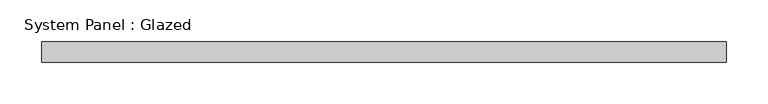
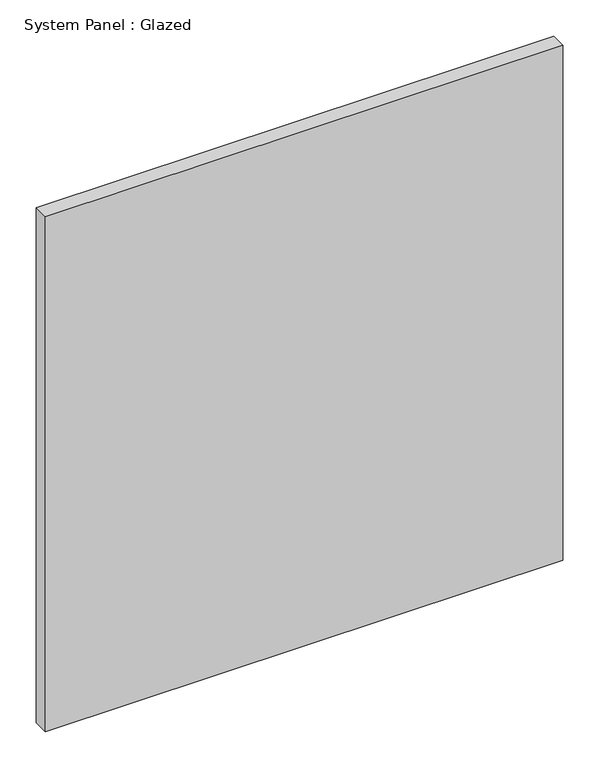
"""IFC4 building model written with IfcOpenShell, lengths in millimetres: plate geometry, System Panel : Glazed."""

from ifc_helpers import new_model, si_unit, origin, origin_with_axes, place, context, project, spatial, polyline, outline, extrude, source, transform, mapped, element, save


def system_panel_glazed_b597f3c5(model_context):
    return source(origin(), model_context, "Body", "SweptSolid", [
        extrude(outline(polyline([(412.5, 24.5), (-412.5, 24.5), (-412.5, 49.5), (412.5, 49.5), (412.5, 24.5)])), origin_with_axes(), (0.0, 0.0, 1.0), 868.3333333),
    ])


if __name__ == "__main__":
    model = new_model("IFC4")
    model_context = context("Model", 3, world=origin())
    ifc_project = project(units=[si_unit("LENGTHUNIT", "METRE", prefix="MILLI")], contexts=[model_context])
    site = spatial("IfcSite", under=ifc_project)
    building = spatial("IfcBuilding", under=site)
    placement = place(None, origin())
    system_panel_glazed_shape = system_panel_glazed_b597f3c5(model_context)
    element("IfcPlate", 1, ObjectType="System Panel : Glazed", at=placement, inside=building, context=model_context, shape_type="MappedRepresentation", body=[
        mapped(system_panel_glazed_shape, transform((0.0, 0.0, 0.0), x_axis=(1.0, 0.0, 0.0), y_axis=(0.0, 1.0, 0.0), z_axis=(0.0, 0.0, 1.0))),
    ])
    save(model, "model.ifc")
